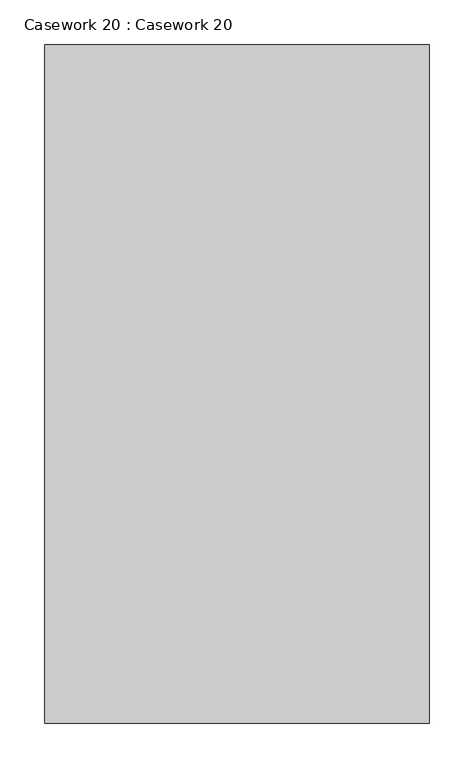
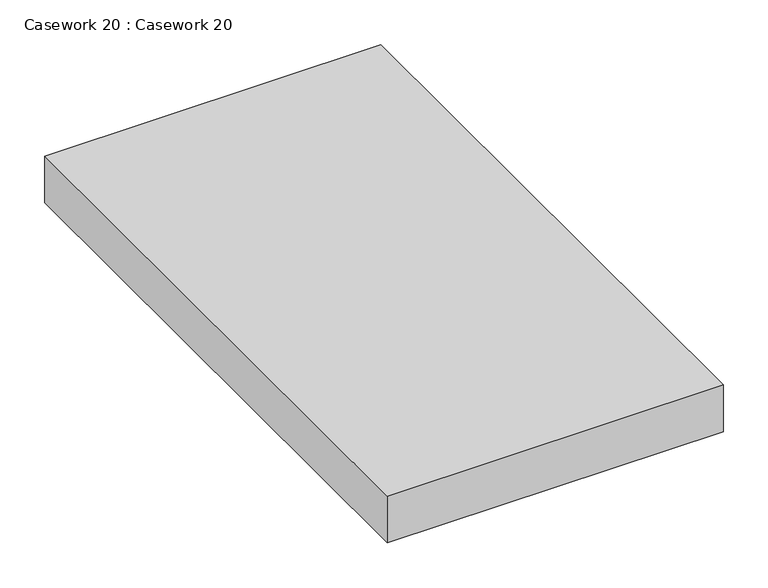
"""IFC4 building model written with IfcOpenShell, lengths in millimetres: furniture geometry, Casework 20 : Casework 20."""

import ifcopenshell
import ifcopenshell.guid

model = None  # the IFC model being written
_history = None  # IfcOwnerHistory: only IFC2X3 demands one
_inside = {}  # id of a spatial element -> (the spatial element, [elements in it])
_under = {}  # id of a project, library or spatial element -> (it, [spatial elements below it])
_declared = {}  # id of a project -> (the project, [libraries it declares])
_typed = {}  # id of a type object -> (the type object, [elements of that type])
_made_of = {}  # id of a material, layer set ... -> (it, [elements and type objects made of it])


def new_model(schema):
    """Start an empty IFC model of exactly this schema.

    Asked for "IFC4X3", IfcOpenShell would pick the latest addendum, in which some entities
    have other attributes; the version numbers below select the first issue.
    IFC2X3 requires an IfcOwnerHistory on every rooted entity: one is made here for all.
    """
    global model, _history
    if schema == "IFC4X3":
        model = ifcopenshell.file(schema_version=(4, 3, 0, 0))
    else:
        model = ifcopenshell.file(schema=schema)
    _inside.clear()
    _under.clear()
    _declared.clear()
    _typed.clear()
    _made_of.clear()
    _history = None
    if model.schema == "IFC2X3":
        org = make("IfcOrganization", Name="unknown")
        user = make(
            "IfcPersonAndOrganization",
            ThePerson=make("IfcPerson", FamilyName="unknown"),
            TheOrganization=org,
        )
        app = make(
            "IfcApplication",
            ApplicationDeveloper=org,
            Version="unknown",
            ApplicationFullName="unknown",
            ApplicationIdentifier="unknown",
        )
        _history = make(
            "IfcOwnerHistory",
            OwningUser=user,
            OwningApplication=app,
            ChangeAction="ADDED",
            CreationDate=0,
        )
    return model


def make(cls, **values):
    """One entity of the class cls with the attributes given. An attribute that is None is left unset."""
    return model.create_entity(
        cls, **{name: value for name, value in values.items() if value is not None}
    )


def rooted(cls, **values):
    """An entity with a GlobalId (a new one), such as an element, a storey or a relation."""
    return make(cls, GlobalId=ifcopenshell.guid.new(), OwnerHistory=_history, **values)


def si_unit(unit_type, name, prefix=None):
    """IfcSIUnit, for example si_unit("LENGTHUNIT", "METRE", prefix="MILLI")."""
    return make("IfcSIUnit", UnitType=unit_type, Prefix=prefix, Name=name)


def assignment(units):
    """IfcUnitAssignment: the units of a project."""
    return None if units is None else make("IfcUnitAssignment", Units=units)


def point(xyz):
    """IfcCartesianPoint."""
    return None if xyz is None else make("IfcCartesianPoint", Coordinates=xyz)


def direction(xyz):
    """IfcDirection."""
    return None if xyz is None else make("IfcDirection", DirectionRatios=xyz)


def frame(location, z_axis=None, x_axis=None):
    """IfcAxis2Placement3D, a coordinate frame: its origin and axes. An axis left out is left unset."""
    return make(
        "IfcAxis2Placement3D",
        Location=point(location),
        Axis=direction(z_axis),
        RefDirection=direction(x_axis),
    )


def origin():
    """The frame at (0, 0, 0) with its axes left unset."""
    return frame((0.0, 0.0, 0.0))


def place(relative_to, where):
    """IfcLocalPlacement: puts the frame where relative to a parent placement (None: the world)."""
    return make(
        "IfcLocalPlacement", PlacementRelTo=relative_to, RelativePlacement=where
    )


def context(
    kind, dimensions, precision=None, world=None, true_north=None, identifier=None
):
    """IfcGeometricRepresentationContext, for example the 3D "Model" context."""
    return make(
        "IfcGeometricRepresentationContext",
        ContextIdentifier=identifier,
        ContextType=kind,
        CoordinateSpaceDimension=dimensions,
        Precision=precision,
        WorldCoordinateSystem=world,
        TrueNorth=true_north,
    )


def project(units=None, contexts=None):
    """IfcProject with its units and contexts."""
    return rooted(
        "IfcProject",
        Name="project",
        RepresentationContexts=contexts,
        UnitsInContext=assignment(units),
    )


def spatial(cls, under=None, at=None, **own):
    """A site, building, storey or space (cls), placed at a placement, below another one or the project."""
    s = rooted(cls, ObjectPlacement=at, **own)
    if under is not None:
        _under.setdefault(under.id(), (under, []))[1].append(s)
    return s


def polyline(points):
    """IfcPolyline through the points."""
    return make("IfcPolyline", Points=[point(p) for p in points])


def outline(outer, holes=None, kind="AREA"):
    """IfcArbitraryClosedProfileDef: a profile drawn as a closed curve; with holes, ...WithVoids."""
    if holes is None:
        return make("IfcArbitraryClosedProfileDef", ProfileType=kind, OuterCurve=outer)
    return make(
        "IfcArbitraryProfileDefWithVoids",
        ProfileType=kind,
        OuterCurve=outer,
        InnerCurves=holes,
    )


def extrude(swept, where, along, depth):
    """IfcExtrudedAreaSolid: the profile swept, set in the frame where, extruded along a direction by depth."""
    return make(
        "IfcExtrudedAreaSolid",
        SweptArea=swept,
        Position=where,
        ExtrudedDirection=direction(along),
        Depth=depth,
    )


def shape(context_of_items, identifier, shape_type, items):
    """IfcShapeRepresentation: the items that make up one representation, for example the "Body"."""
    return make(
        "IfcShapeRepresentation",
        ContextOfItems=context_of_items,
        RepresentationIdentifier=identifier,
        RepresentationType=shape_type,
        Items=items,
    )


def source(mapping_origin, context_of_items, identifier, shape_type, items):
    """IfcRepresentationMap: a shape defined once, which mapped items show again and again."""
    return make(
        "IfcRepresentationMap",
        MappingOrigin=mapping_origin,
        MappedRepresentation=shape(context_of_items, identifier, shape_type, items),
    )


def transform(
    local_origin,
    x_axis=None,
    y_axis=None,
    z_axis=None,
    scale=None,
    scale2=None,
    scale3=None,
    uniform=True,
):
    """IfcCartesianTransformationOperator3D, or its non-uniform kind. x_axis, y_axis, z_axis: its Axis1, 2, 3."""
    if uniform:
        return make(
            "IfcCartesianTransformationOperator3D",
            Axis1=direction(x_axis),
            Axis2=direction(y_axis),
            LocalOrigin=point(local_origin),
            Scale=scale,
            Axis3=direction(z_axis),
        )
    return make(
        "IfcCartesianTransformationOperator3DnonUniform",
        Axis1=direction(x_axis),
        Axis2=direction(y_axis),
        LocalOrigin=point(local_origin),
        Scale=scale,
        Axis3=direction(z_axis),
        Scale2=scale2,
        Scale3=scale3,
    )


def mapped(mapping_source, mapping_target):
    """IfcMappedItem: shows the shape of a source again, moved by a transform."""
    return make(
        "IfcMappedItem", MappingSource=mapping_source, MappingTarget=mapping_target
    )


def made_of(thing, what):
    """Note that an element or type object is made of a material, layer set ...; save() writes the relation."""
    if what is not None:
        _made_of.setdefault(what.id(), (what, []))[1].append(thing)
    return thing


def element(
    cls,
    number,
    at=None,
    inside=None,
    cuts=None,
    type_object=None,
    material=None,
    context=None,
    identifier="Body",
    shape_type=None,
    held_by="IfcProductDefinitionShape",
    body=None,
    shapes=None,
    **own,
):
    """One element of the class cls, such as IfcWall. Its Tag is "e" and its number.

    at: its placement. inside: the storey or other place that contains it. cuts: it is an
    opening in that element (IfcRelVoidsElement). A single representation is given by context,
    identifier, shape_type and body (its items); several are given by shapes. held_by: the class
    of the entity that holds the representations. save() writes the other relations.
    """
    e = rooted(cls, Tag="e%d" % number, ObjectPlacement=at, **own)
    if body is not None:
        shapes = [shape(context, identifier, shape_type, body)]
    if shapes is not None:
        e.Representation = make(held_by, Representations=shapes)
    if inside is not None:
        _inside.setdefault(inside.id(), (inside, []))[1].append(e)
    if cuts is not None:
        rooted(
            "IfcRelVoidsElement", RelatingBuildingElement=cuts, RelatedOpeningElement=e
        )
    if type_object is not None:
        _typed.setdefault(type_object.id(), (type_object, []))[1].append(e)
    return made_of(e, material)


def aggregate(whole, parts):
    """IfcRelAggregates: a whole, such as a stair, and the parts it consists of."""
    return rooted("IfcRelAggregates", RelatingObject=whole, RelatedObjects=parts)


def save(model, path):
    """Write the relations noted so far, then the file.

    IfcRelAggregates (storeys below a building ...), IfcRelContainedInSpatialStructure (elements
    in a storey), IfcRelDefinesByType, IfcRelAssociatesMaterial and IfcRelDeclares: one each for
    every whole, place, type object, material and project.
    """
    for whole, parts in _under.values():
        aggregate(whole, parts)
    for where, things in _inside.values():
        rooted(
            "IfcRelContainedInSpatialStructure",
            RelatedElements=things,
            RelatingStructure=where,
        )
    for kind, things in _typed.values():
        rooted("IfcRelDefinesByType", RelatedObjects=things, RelatingType=kind)
    for what, things in _made_of.values():
        rooted("IfcRelAssociatesMaterial", RelatedObjects=things, RelatingMaterial=what)
    for by, libraries in _declared.values():
        rooted("IfcRelDeclares", RelatingContext=by, RelatedDefinitions=libraries)
    model.write(path)


def casework_20_casework_20_a14a3e0b(model_context):
    return source(origin(), model_context, "Body", "SweptSolid", [
        extrude(outline(polyline([(-154461.9204249, -67355.93944), (-154461.9204249, -68117.93944), (-154893.7204249, -68117.93944), (-154893.7204249, -67355.93944), (-154461.9204249, -67355.93944)])), frame((0.0, 0.0, 800.1), z_axis=(0.0, 0.0, 1.0), x_axis=(1.0, 0.0, 0.0)), (0.0, 0.0, 1.0), 63.5),
    ])


if __name__ == "__main__":
    model = new_model("IFC4")
    model_context = context("Model", 3, world=origin())
    ifc_project = project(units=[si_unit("LENGTHUNIT", "METRE", prefix="MILLI")], contexts=[model_context])
    site = spatial("IfcSite", under=ifc_project)
    building = spatial("IfcBuilding", under=site)
    placement = place(None, origin())
    casework_20_casework_20_shape = casework_20_casework_20_a14a3e0b(model_context)
    element("IfcFurniture", 1, ObjectType="Casework 20 : Casework 20", at=placement, inside=building, context=model_context, shape_type="MappedRepresentation", body=[
        mapped(casework_20_casework_20_shape, transform((0.0, 0.0, 0.0), x_axis=(1.0, 0.0, 0.0), y_axis=(0.0, 1.0, 0.0), z_axis=(0.0, 0.0, 1.0))),
    ])
    save(model, "model.ifc")
